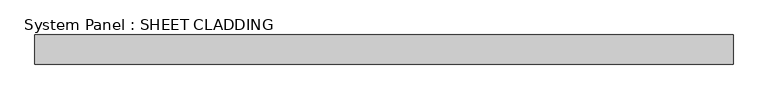
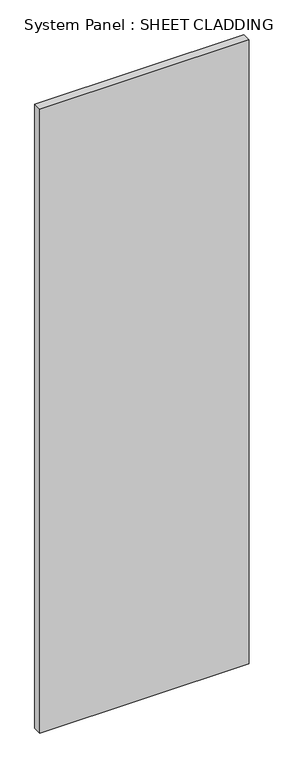
"""IFC4 building model written with IfcOpenShell, lengths in millimetres: plate geometry, System Panel : SHEET CLADDING."""

from ifc_helpers import new_model, si_unit, origin, origin_with_axes, place, context, project, spatial, polyline, outline, extrude, source, transform, mapped, element, save


def system_panel_sheet_cladding_5a05819d(model_context):
    return source(origin(), model_context, "Body", "SweptSolid", [
        extrude(outline(polyline([(714.2857143, -10.5), (-714.2857143, -10.5), (-714.2857143, 49.5), (714.2857143, 49.5), (714.2857143, -10.5)])), origin_with_axes(), (0.0, 0.0, 1.0), 4500.0),
    ])


if __name__ == "__main__":
    model = new_model("IFC4")
    model_context = context("Model", 3, world=origin())
    ifc_project = project(units=[si_unit("LENGTHUNIT", "METRE", prefix="MILLI")], contexts=[model_context])
    site = spatial("IfcSite", under=ifc_project)
    building = spatial("IfcBuilding", under=site)
    placement = place(None, origin())
    system_panel_sheet_cladding_shape = system_panel_sheet_cladding_5a05819d(model_context)
    element("IfcPlate", 1, ObjectType="System Panel : SHEET CLADDING", at=placement, inside=building, context=model_context, shape_type="MappedRepresentation", body=[
        mapped(system_panel_sheet_cladding_shape, transform((0.0, 0.0, 0.0), x_axis=(1.0, 0.0, 0.0), y_axis=(0.0, 1.0, 0.0), z_axis=(0.0, 0.0, 1.0))),
    ])
    save(model, "model.ifc")
